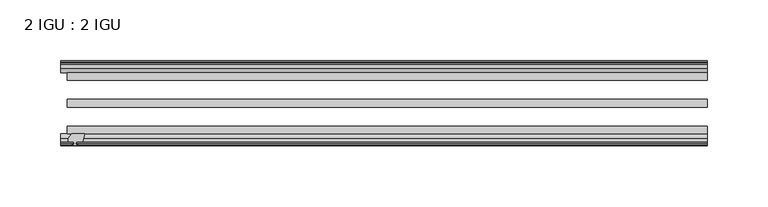
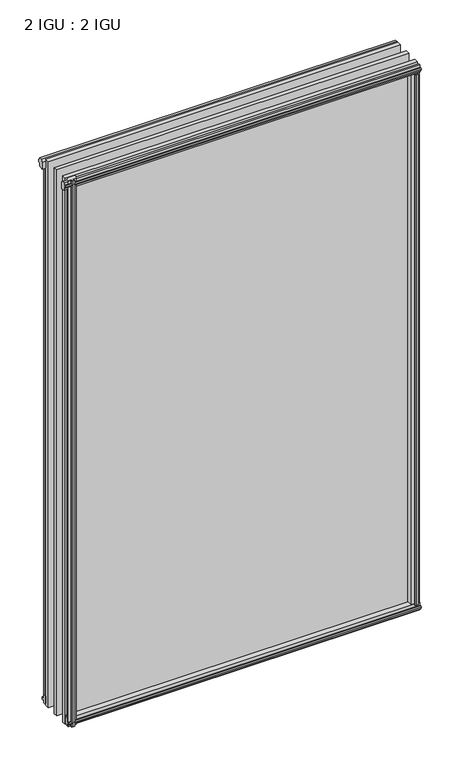
"""IFC4 building model written with IfcOpenShell, lengths in millimetres: plate geometry, 2 IGU : 2 IGU."""

from ifc_helpers import new_model, si_unit, frame, origin, origin_with_axes, place, context, project, spatial, polyline, outline, extrude, source, transform, mapped, element, save


def plate_2_igu_2_igu_e4ca4240(model_context):
    return source(origin(), model_context, "Body", "SweptSolid", [
        extrude(outline(polyline([(-249.0914069, -69.9960936), (-250.809125, -76.3460936), (-256.016125, -76.3460936), (-256.397125, -78.7262905), (-254.9815959, -78.2663573), (-254.9815959, -79.0675715), (-257.159125, -79.7750936), (-259.3366541, -79.0675715), (-259.3366541, -78.2663573), (-257.921125, -78.7262905), (-258.302125, -76.3460936), (-262.747125, -76.3460936), (-262.747125, -73.3996936), (-259.9127828, -69.9960936), (-249.0914069, -69.9960936)])), frame((0.0, 0.0, -12.303125), z_axis=(0.0, 0.0, 1.0), x_axis=(1.0, 0.0, 0.0)), (0.0, 0.0, 1.0), 862.961825),
        extrude(outline(polyline([(255.5022959, -10.4746158), (257.679825, -9.7670937), (259.8573541, -10.4746158), (259.8573541, -11.27583), (258.441825, -10.8158968), (258.822825, -13.1960937), (263.267825, -13.1960937), (263.267825, -16.1424937), (260.4334828, -19.5460937), (249.6121069, -19.5460937), (251.329825, -13.1960937), (256.536825, -13.1960937), (256.917825, -10.8158968), (255.5022959, -11.27583), (255.5022959, -10.4746158)])), origin_with_axes(), (0.0, 0.0, 1.0), 838.2),
        extrude(outline(polyline([(-19.5460937, 1.5938931), (-13.1960937, -0.123825), (-13.1960937, -5.330825), (-10.8158968, -5.711825), (-11.27583, -4.2962959), (-10.4746158, -4.2962959), (-9.7670937, -6.473825), (-10.4746158, -8.6513541), (-11.27583, -8.6513541), (-10.8158968, -7.235825), (-13.1960937, -7.616825), (-13.1960937, -12.061825), (-16.1424937, -12.061825), (-19.5460937, -9.2274828), (-19.5460937, 1.5938931)])), frame((-263.509125, 0.0, 0.0), z_axis=(1.0, 0.0, 0.0), x_axis=(0.0, 1.0, 0.0)), (0.0, 0.0, 1.0), 527.01825),
        extrude(outline(polyline([(-69.9960936, 2.1145931), (-69.9960936, -8.7067828), (-73.3996936, -11.541125), (-76.3460936, -11.541125), (-76.3460936, -7.096125), (-78.7262905, -6.715125), (-78.2663573, -8.1306541), (-79.0675715, -8.1306541), (-79.7750936, -5.953125), (-79.0675715, -3.7755959), (-78.2663573, -3.7755959), (-78.7262905, -5.191125), (-76.3460936, -4.810125), (-76.3460936, 0.396875), (-69.9960936, 2.1145931)])), frame((-263.509125, 0.0, 0.0), z_axis=(1.0, 0.0, 0.0), x_axis=(0.0, 1.0, 0.0)), (0.0, 0.0, 1.0), 527.01825),
        extrude(outline(polyline([(-10.8158968, 845.8327), (-11.27583, 847.2482291), (-10.4746158, 847.2482291), (-9.7670937, 845.0707), (-10.4746158, 842.8931709), (-11.27583, 842.8931709), (-10.8158968, 844.3087), (-13.1960937, 843.9277), (-13.1960937, 838.7207), (-19.5460937, 837.0029819), (-19.5460937, 847.8243578), (-16.1424937, 850.6587), (-13.1960937, 850.6587), (-13.1960937, 846.2137), (-10.8158968, 845.8327)])), frame((-268.8552309, 0.0, 0.0), z_axis=(1.0, 0.0, 0.0), x_axis=(0.0, 1.0, 0.0)), (0.0, 0.0, 1.0), 532.3643559),
        extrude(outline(polyline([(-76.3460936, 850.138), (-73.3996936, 850.138), (-69.9960936, 847.3036578), (-69.9960936, 836.4822819), (-76.3460936, 838.2), (-76.3460936, 843.407), (-78.7262905, 843.788), (-78.2663573, 842.3724709), (-79.0675715, 842.3724709), (-79.7750936, 844.55), (-79.0675715, 846.7275291), (-78.2663573, 846.7275291), (-78.7262905, 845.312), (-76.3460936, 845.693), (-76.3460936, 850.138)])), frame((-268.8552309, 0.0, 0.0), z_axis=(1.0, 0.0, 0.0), x_axis=(0.0, 1.0, 0.0)), (0.0, 0.0, 1.0), 532.3643559),
        extrude(outline(polyline([(249.0914069, -69.9960936), (259.9127828, -69.9960936), (262.747125, -73.3996936), (262.747125, -76.3460936), (258.302125, -76.3460936), (257.921125, -78.7262905), (259.3366541, -78.2663573), (259.3366541, -79.0675715), (257.159125, -79.7750936), (254.9815959, -79.0675715), (254.9815959, -78.2663573), (256.397125, -78.7262905), (256.016125, -76.3460936), (250.809125, -76.3460936), (249.0914069, -69.9960936)])), origin_with_axes(), (0.0, 0.0, 1.0), 838.2),
        extrude(outline(polyline([(-257.679825, -9.7670937), (-255.5022959, -10.4746158), (-255.5022959, -11.27583), (-256.917825, -10.8158968), (-256.536825, -13.1960937), (-251.329825, -13.1960937), (-249.6121069, -19.5460937), (-260.4334828, -19.5460937), (-263.267825, -16.1424937), (-263.267825, -13.1960937), (-258.822825, -13.1960937), (-258.441825, -10.8158968), (-259.8573541, -11.27583), (-259.8573541, -10.4746158), (-257.679825, -9.7670937)])), origin_with_axes(), (0.0, 0.0, 1.0), 838.2),
        extrude(outline(polyline([(263.509125, -19.5460937), (263.509125, -25.8960937), (-263.509125, -25.8960937), (-263.509125, -19.5460937), (263.509125, -19.5460937)])), frame((0.0, 0.0, -12.303125), z_axis=(0.0, 0.0, 1.0), x_axis=(1.0, 0.0, 0.0)), (0.0, 0.0, 1.0), 863.203125),
        extrude(outline(polyline([(-263.509125, -41.5960937), (263.509125, -41.5960937), (263.509125, -47.9460937), (-263.509125, -47.9460937), (-263.509125, -41.5960937)])), frame((0.0, 0.0, -12.303125), z_axis=(0.0, 0.0, 1.0), x_axis=(1.0, 0.0, 0.0)), (0.0, 0.0, 1.0), 863.203125),
        extrude(outline(polyline([(263.509125, -63.6460936), (263.509125, -69.9960936), (-263.509125, -69.9960936), (-263.509125, -63.6460936), (263.509125, -63.6460936)])), frame((0.0, 0.0, -12.303125), z_axis=(0.0, 0.0, 1.0), x_axis=(1.0, 0.0, 0.0)), (0.0, 0.0, 1.0), 863.203125),
    ])


if __name__ == "__main__":
    model = new_model("IFC4")
    model_context = context("Model", 3, world=origin())
    ifc_project = project(units=[si_unit("LENGTHUNIT", "METRE", prefix="MILLI")], contexts=[model_context])
    site = spatial("IfcSite", under=ifc_project)
    building = spatial("IfcBuilding", under=site)
    placement = place(None, origin())
    plate_2_igu_2_igu_shape = plate_2_igu_2_igu_e4ca4240(model_context)
    element("IfcPlate", 1, ObjectType="2 IGU : 2 IGU", at=placement, inside=building, context=model_context, shape_type="MappedRepresentation", body=[
        mapped(plate_2_igu_2_igu_shape, transform((0.0, 0.0, 0.0), x_axis=(1.0, 0.0, 0.0), y_axis=(0.0, 1.0, 0.0), z_axis=(0.0, 0.0, 1.0))),
    ])
    save(model, "model.ifc")
